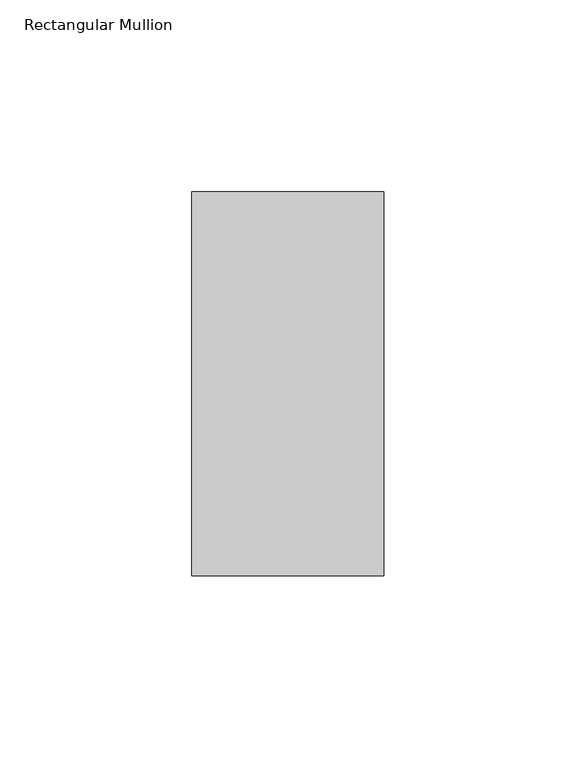
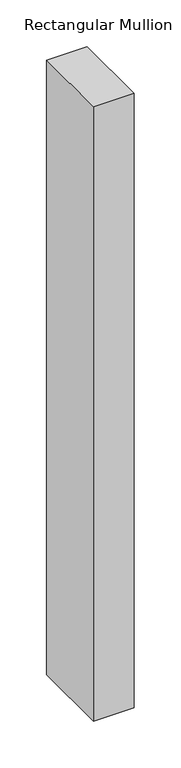
"""IFC4 building model written with IfcOpenShell, lengths in millimetres: member geometry, Rectangular Mullion."""

import ifcopenshell
import ifcopenshell.guid

model = None  # the IFC model being written
_history = None  # IfcOwnerHistory: only IFC2X3 demands one
_inside = {}  # id of a spatial element -> (the spatial element, [elements in it])
_under = {}  # id of a project, library or spatial element -> (it, [spatial elements below it])
_declared = {}  # id of a project -> (the project, [libraries it declares])
_typed = {}  # id of a type object -> (the type object, [elements of that type])
_made_of = {}  # id of a material, layer set ... -> (it, [elements and type objects made of it])


def new_model(schema):
    """Start an empty IFC model of exactly this schema.

    Asked for "IFC4X3", IfcOpenShell would pick the latest addendum, in which some entities
    have other attributes; the version numbers below select the first issue.
    IFC2X3 requires an IfcOwnerHistory on every rooted entity: one is made here for all.
    """
    global model, _history
    if schema == "IFC4X3":
        model = ifcopenshell.file(schema_version=(4, 3, 0, 0))
    else:
        model = ifcopenshell.file(schema=schema)
    _inside.clear()
    _under.clear()
    _declared.clear()
    _typed.clear()
    _made_of.clear()
    _history = None
    if model.schema == "IFC2X3":
        org = make("IfcOrganization", Name="unknown")
        user = make(
            "IfcPersonAndOrganization",
            ThePerson=make("IfcPerson", FamilyName="unknown"),
            TheOrganization=org,
        )
        app = make(
            "IfcApplication",
            ApplicationDeveloper=org,
            Version="unknown",
            ApplicationFullName="unknown",
            ApplicationIdentifier="unknown",
        )
        _history = make(
            "IfcOwnerHistory",
            OwningUser=user,
            OwningApplication=app,
            ChangeAction="ADDED",
            CreationDate=0,
        )
    return model


def make(cls, **values):
    """One entity of the class cls with the attributes given. An attribute that is None is left unset."""
    return model.create_entity(
        cls, **{name: value for name, value in values.items() if value is not None}
    )


def rooted(cls, **values):
    """An entity with a GlobalId (a new one), such as an element, a storey or a relation."""
    return make(cls, GlobalId=ifcopenshell.guid.new(), OwnerHistory=_history, **values)


def si_unit(unit_type, name, prefix=None):
    """IfcSIUnit, for example si_unit("LENGTHUNIT", "METRE", prefix="MILLI")."""
    return make("IfcSIUnit", UnitType=unit_type, Prefix=prefix, Name=name)


def assignment(units):
    """IfcUnitAssignment: the units of a project."""
    return None if units is None else make("IfcUnitAssignment", Units=units)


def point(xyz):
    """IfcCartesianPoint."""
    return None if xyz is None else make("IfcCartesianPoint", Coordinates=xyz)


def direction(xyz):
    """IfcDirection."""
    return None if xyz is None else make("IfcDirection", DirectionRatios=xyz)


def frame(location, z_axis=None, x_axis=None):
    """IfcAxis2Placement3D, a coordinate frame: its origin and axes. An axis left out is left unset."""
    return make(
        "IfcAxis2Placement3D",
        Location=point(location),
        Axis=direction(z_axis),
        RefDirection=direction(x_axis),
    )


def origin():
    """The frame at (0, 0, 0) with its axes left unset."""
    return frame((0.0, 0.0, 0.0))


def place(relative_to, where):
    """IfcLocalPlacement: puts the frame where relative to a parent placement (None: the world)."""
    return make(
        "IfcLocalPlacement", PlacementRelTo=relative_to, RelativePlacement=where
    )


def context(
    kind, dimensions, precision=None, world=None, true_north=None, identifier=None
):
    """IfcGeometricRepresentationContext, for example the 3D "Model" context."""
    return make(
        "IfcGeometricRepresentationContext",
        ContextIdentifier=identifier,
        ContextType=kind,
        CoordinateSpaceDimension=dimensions,
        Precision=precision,
        WorldCoordinateSystem=world,
        TrueNorth=true_north,
    )


def project(units=None, contexts=None):
    """IfcProject with its units and contexts."""
    return rooted(
        "IfcProject",
        Name="project",
        RepresentationContexts=contexts,
        UnitsInContext=assignment(units),
    )


def spatial(cls, under=None, at=None, **own):
    """A site, building, storey or space (cls), placed at a placement, below another one or the project."""
    s = rooted(cls, ObjectPlacement=at, **own)
    if under is not None:
        _under.setdefault(under.id(), (under, []))[1].append(s)
    return s


def polyline(points):
    """IfcPolyline through the points."""
    return make("IfcPolyline", Points=[point(p) for p in points])


def outline(outer, holes=None, kind="AREA"):
    """IfcArbitraryClosedProfileDef: a profile drawn as a closed curve; with holes, ...WithVoids."""
    if holes is None:
        return make("IfcArbitraryClosedProfileDef", ProfileType=kind, OuterCurve=outer)
    return make(
        "IfcArbitraryProfileDefWithVoids",
        ProfileType=kind,
        OuterCurve=outer,
        InnerCurves=holes,
    )


def extrude(swept, where, along, depth):
    """IfcExtrudedAreaSolid: the profile swept, set in the frame where, extruded along a direction by depth."""
    return make(
        "IfcExtrudedAreaSolid",
        SweptArea=swept,
        Position=where,
        ExtrudedDirection=direction(along),
        Depth=depth,
    )


def shape(context_of_items, identifier, shape_type, items):
    """IfcShapeRepresentation: the items that make up one representation, for example the "Body"."""
    return make(
        "IfcShapeRepresentation",
        ContextOfItems=context_of_items,
        RepresentationIdentifier=identifier,
        RepresentationType=shape_type,
        Items=items,
    )


def source(mapping_origin, context_of_items, identifier, shape_type, items):
    """IfcRepresentationMap: a shape defined once, which mapped items show again and again."""
    return make(
        "IfcRepresentationMap",
        MappingOrigin=mapping_origin,
        MappedRepresentation=shape(context_of_items, identifier, shape_type, items),
    )


def transform(
    local_origin,
    x_axis=None,
    y_axis=None,
    z_axis=None,
    scale=None,
    scale2=None,
    scale3=None,
    uniform=True,
):
    """IfcCartesianTransformationOperator3D, or its non-uniform kind. x_axis, y_axis, z_axis: its Axis1, 2, 3."""
    if uniform:
        return make(
            "IfcCartesianTransformationOperator3D",
            Axis1=direction(x_axis),
            Axis2=direction(y_axis),
            LocalOrigin=point(local_origin),
            Scale=scale,
            Axis3=direction(z_axis),
        )
    return make(
        "IfcCartesianTransformationOperator3DnonUniform",
        Axis1=direction(x_axis),
        Axis2=direction(y_axis),
        LocalOrigin=point(local_origin),
        Scale=scale,
        Axis3=direction(z_axis),
        Scale2=scale2,
        Scale3=scale3,
    )


def mapped(mapping_source, mapping_target):
    """IfcMappedItem: shows the shape of a source again, moved by a transform."""
    return make(
        "IfcMappedItem", MappingSource=mapping_source, MappingTarget=mapping_target
    )


def made_of(thing, what):
    """Note that an element or type object is made of a material, layer set ...; save() writes the relation."""
    if what is not None:
        _made_of.setdefault(what.id(), (what, []))[1].append(thing)
    return thing


def element(
    cls,
    number,
    at=None,
    inside=None,
    cuts=None,
    type_object=None,
    material=None,
    context=None,
    identifier="Body",
    shape_type=None,
    held_by="IfcProductDefinitionShape",
    body=None,
    shapes=None,
    **own,
):
    """One element of the class cls, such as IfcWall. Its Tag is "e" and its number.

    at: its placement. inside: the storey or other place that contains it. cuts: it is an
    opening in that element (IfcRelVoidsElement). A single representation is given by context,
    identifier, shape_type and body (its items); several are given by shapes. held_by: the class
    of the entity that holds the representations. save() writes the other relations.
    """
    e = rooted(cls, Tag="e%d" % number, ObjectPlacement=at, **own)
    if body is not None:
        shapes = [shape(context, identifier, shape_type, body)]
    if shapes is not None:
        e.Representation = make(held_by, Representations=shapes)
    if inside is not None:
        _inside.setdefault(inside.id(), (inside, []))[1].append(e)
    if cuts is not None:
        rooted(
            "IfcRelVoidsElement", RelatingBuildingElement=cuts, RelatedOpeningElement=e
        )
    if type_object is not None:
        _typed.setdefault(type_object.id(), (type_object, []))[1].append(e)
    return made_of(e, material)


def aggregate(whole, parts):
    """IfcRelAggregates: a whole, such as a stair, and the parts it consists of."""
    return rooted("IfcRelAggregates", RelatingObject=whole, RelatedObjects=parts)


def save(model, path):
    """Write the relations noted so far, then the file.

    IfcRelAggregates (storeys below a building ...), IfcRelContainedInSpatialStructure (elements
    in a storey), IfcRelDefinesByType, IfcRelAssociatesMaterial and IfcRelDeclares: one each for
    every whole, place, type object, material and project.
    """
    for whole, parts in _under.values():
        aggregate(whole, parts)
    for where, things in _inside.values():
        rooted(
            "IfcRelContainedInSpatialStructure",
            RelatedElements=things,
            RelatingStructure=where,
        )
    for kind, things in _typed.values():
        rooted("IfcRelDefinesByType", RelatedObjects=things, RelatingType=kind)
    for what, things in _made_of.values():
        rooted("IfcRelAssociatesMaterial", RelatedObjects=things, RelatingMaterial=what)
    for by, libraries in _declared.values():
        rooted("IfcRelDeclares", RelatingContext=by, RelatedDefinitions=libraries)
    model.write(path)


def rectangular_mullion_863c4a68(model_context):
    return source(origin(), model_context, "Body", "SweptSolid", [
        extrude(outline(polyline([(0.0, 69.0), (0.0, -31.0), (-50.0, -31.0), (-50.0, 69.0), (0.0, 69.0)])), frame((0.0, 0.0, -800.0), z_axis=(0.0, 0.0, 1.0), x_axis=(1.0, 0.0, 0.0)), (0.0, 0.0, 1.0), 800.0),
    ])


if __name__ == "__main__":
    model = new_model("IFC4")
    model_context = context("Model", 3, world=origin())
    ifc_project = project(units=[si_unit("LENGTHUNIT", "METRE", prefix="MILLI")], contexts=[model_context])
    site = spatial("IfcSite", under=ifc_project)
    building = spatial("IfcBuilding", under=site)
    placement = place(None, origin())
    rectangular_mullion_shape = rectangular_mullion_863c4a68(model_context)
    element("IfcMember", 1, ObjectType="Rectangular Mullion", at=placement, inside=building, context=model_context, shape_type="MappedRepresentation", body=[
        mapped(rectangular_mullion_shape, transform((0.0, 0.0, 0.0), x_axis=(1.0, 0.0, 0.0), y_axis=(0.0, 1.0, 0.0), z_axis=(0.0, 0.0, 1.0))),
    ])
    save(model, "model.ifc")
